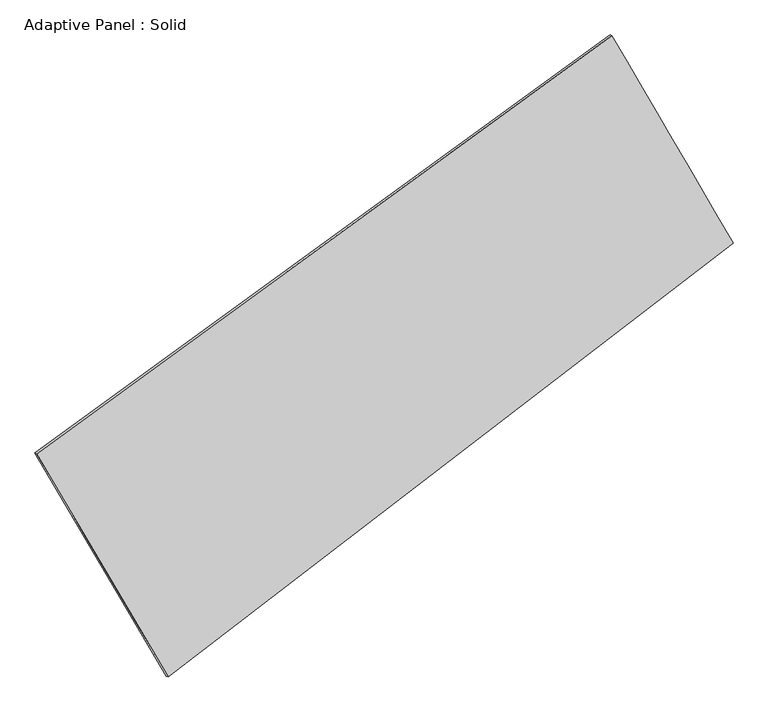
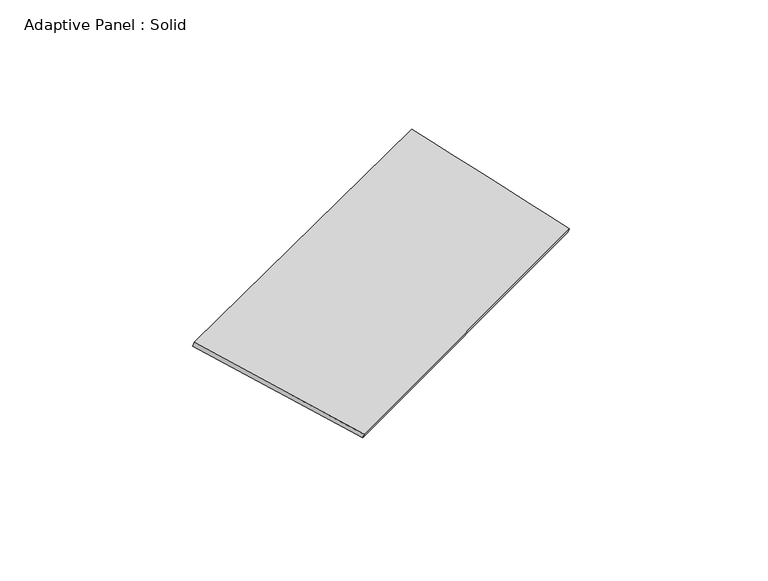
"""IFC4 building model written with IfcOpenShell, lengths in millimetres: plate geometry, Adaptive Panel : Solid."""

from ifc_helpers import new_model, si_unit, frame, origin, place, context, project, spatial, source, transform, mapped, element, save
from ifc_brep_helpers import plane_surface, spline_surface, advanced_brep


def adaptive_panel_solid_f11333b3(model_context):
    return source(origin(), model_context, "Body", "AdvancedBrep", [
        advanced_brep(
        [(1205.2915435, 2520.5764451, 700.6519782), (-3551.7471203, -939.3379702, 1607.8039028), (-3537.0807644, -945.7180637, 1655.1768109), (1219.9578993, 2514.1963517, 748.0248862), (-2464.8377302, -2786.8259629, 1119.3398229), (-2450.1713744, -2793.2060563, 1166.7127309), (2208.0027288, 805.3389151, 57.3268163), (2222.6690847, 798.9588216, 104.6997244)],
        [
            (0, 1),
            (1, 2),
            (2, 3),
            (3, 0),
            (1, 4),
            (4, 5),
            (5, 2),
            (4, 6),
            (6, 7),
            (7, 5),
            (6, 0),
            (3, 7),
        ],
        [
            plane_surface(frame((-1173.2277884, 790.6192375, 1154.2279405), z_axis=(-0.5314011295380899, 0.8020811170387434, 0.2725412284692427), x_axis=(-0.7992669790917537, -0.5813270688261074, 0.15241763409654524))),
            plane_surface(frame((-3008.2924252, -1863.0819665, 1363.5718629), z_axis=(-0.825275963929577, -0.5340600541679243, 0.18357407742451445), x_axis=(0.4943981171865772, -0.8403594572239068, -0.2221856979571556))),
            plane_surface(frame((-128.4175007, -990.7435239, 588.3333196), z_axis=(0.5457281505864808, -0.7913671006962195, -0.2755338411032644), x_axis=(0.7802498266414791, 0.5998034916579109, -0.17733014244882375))),
            plane_surface(frame((1706.6471362, 1662.9576801, 378.9893972), z_axis=(0.818352485624863, 0.5458534189842433, -0.17984230385207234), x_axis=(-0.48013796576618867, 0.8213238971387212, 0.30804965479410895))),
            spline_surface(1, 1, [[(-3537.0807644, -945.7180637, 1655.1768109), (1219.9578993, 2514.1963517, 748.0248862)], [(-2450.1713744, -2793.2060563, 1166.7127309), (2222.6690847, 798.9588216, 104.6997244)]], [2, 2], [2, 2], [0.0, 1.0], [0.0, 1.0]),
            spline_surface(1, 1, [[(2208.0027288, 805.3389151, 57.3268163), (1205.2915435, 2520.5764451, 700.6519782)], [(-2464.8377302, -2786.8259629, 1119.3398229), (-3551.7471203, -939.3379702, 1607.8039028)]], [2, 2], [2, 2], [0.0, 1.0], [0.0, 1.0]),
        ],
        [
            (0, [[1, 2, 3, 4]]),
            (1, [[5, 6, 7, -2]]),
            (2, [[8, 9, 10, -6]]),
            (3, [[11, -4, 12, -9]]),
            (4, [[-3, -7, -10, -12]]),
            (5, [[-11, -8, -5, -1]]),
        ],
    ),
    ])


if __name__ == "__main__":
    model = new_model("IFC4")
    model_context = context("Model", 3, world=origin())
    ifc_project = project(units=[si_unit("LENGTHUNIT", "METRE", prefix="MILLI")], contexts=[model_context])
    site = spatial("IfcSite", under=ifc_project)
    building = spatial("IfcBuilding", under=site)
    placement = place(None, origin())
    adaptive_panel_solid_shape = adaptive_panel_solid_f11333b3(model_context)
    element("IfcPlate", 1, ObjectType="Adaptive Panel : Solid", at=placement, inside=building, context=model_context, shape_type="MappedRepresentation", body=[
        mapped(adaptive_panel_solid_shape, transform((0.0, 0.0, 0.0), x_axis=(1.0, 0.0, 0.0), y_axis=(0.0, 1.0, 0.0), z_axis=(0.0, 0.0, 1.0))),
    ])
    save(model, "model.ifc")
